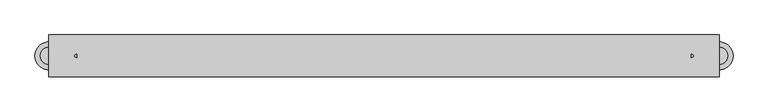
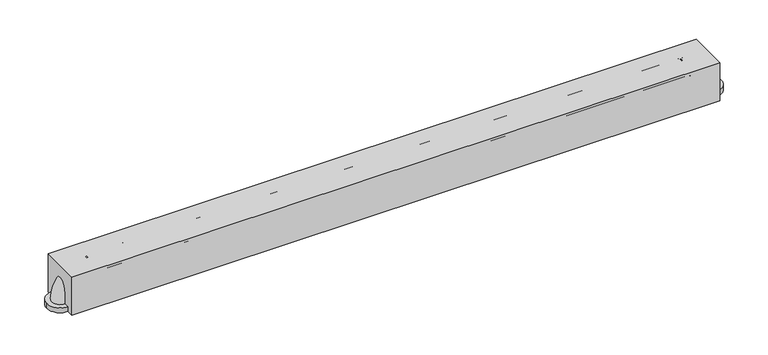
"""IFC4 building model written with IfcOpenShell, lengths in millimetres: proxy geometry."""

import ifcopenshell
import ifcopenshell.guid

model = None  # the IFC model being written
_history = None  # IfcOwnerHistory: only IFC2X3 demands one
_inside = {}  # id of a spatial element -> (the spatial element, [elements in it])
_under = {}  # id of a project, library or spatial element -> (it, [spatial elements below it])
_declared = {}  # id of a project -> (the project, [libraries it declares])
_typed = {}  # id of a type object -> (the type object, [elements of that type])
_made_of = {}  # id of a material, layer set ... -> (it, [elements and type objects made of it])


def new_model(schema):
    """Start an empty IFC model of exactly this schema.

    Asked for "IFC4X3", IfcOpenShell would pick the latest addendum, in which some entities
    have other attributes; the version numbers below select the first issue.
    IFC2X3 requires an IfcOwnerHistory on every rooted entity: one is made here for all.
    """
    global model, _history
    if schema == "IFC4X3":
        model = ifcopenshell.file(schema_version=(4, 3, 0, 0))
    else:
        model = ifcopenshell.file(schema=schema)
    _inside.clear()
    _under.clear()
    _declared.clear()
    _typed.clear()
    _made_of.clear()
    _history = None
    if model.schema == "IFC2X3":
        org = make("IfcOrganization", Name="unknown")
        user = make(
            "IfcPersonAndOrganization",
            ThePerson=make("IfcPerson", FamilyName="unknown"),
            TheOrganization=org,
        )
        app = make(
            "IfcApplication",
            ApplicationDeveloper=org,
            Version="unknown",
            ApplicationFullName="unknown",
            ApplicationIdentifier="unknown",
        )
        _history = make(
            "IfcOwnerHistory",
            OwningUser=user,
            OwningApplication=app,
            ChangeAction="ADDED",
            CreationDate=0,
        )
    return model


def make(cls, **values):
    """One entity of the class cls with the attributes given. An attribute that is None is left unset."""
    return model.create_entity(
        cls, **{name: value for name, value in values.items() if value is not None}
    )


def rooted(cls, **values):
    """An entity with a GlobalId (a new one), such as an element, a storey or a relation."""
    return make(cls, GlobalId=ifcopenshell.guid.new(), OwnerHistory=_history, **values)


def si_unit(unit_type, name, prefix=None):
    """IfcSIUnit, for example si_unit("LENGTHUNIT", "METRE", prefix="MILLI")."""
    return make("IfcSIUnit", UnitType=unit_type, Prefix=prefix, Name=name)


def assignment(units):
    """IfcUnitAssignment: the units of a project."""
    return None if units is None else make("IfcUnitAssignment", Units=units)


def point(xyz):
    """IfcCartesianPoint."""
    return None if xyz is None else make("IfcCartesianPoint", Coordinates=xyz)


def direction(xyz):
    """IfcDirection."""
    return None if xyz is None else make("IfcDirection", DirectionRatios=xyz)


def frame(location, z_axis=None, x_axis=None):
    """IfcAxis2Placement3D, a coordinate frame: its origin and axes. An axis left out is left unset."""
    return make(
        "IfcAxis2Placement3D",
        Location=point(location),
        Axis=direction(z_axis),
        RefDirection=direction(x_axis),
    )


def frame_2d(location, x_axis=None):
    """IfcAxis2Placement2D, a coordinate frame in the plane: its origin and x axis."""
    return make(
        "IfcAxis2Placement2D", Location=point(location), RefDirection=direction(x_axis)
    )


def origin():
    """The frame at (0, 0, 0) with its axes left unset."""
    return frame((0.0, 0.0, 0.0))


def origin_with_axes():
    """The frame at (0, 0, 0) with the z axis (0, 0, 1) and the x axis (1, 0, 0) written out."""
    return frame((0.0, 0.0, 0.0), z_axis=(0.0, 0.0, 1.0), x_axis=(1.0, 0.0, 0.0))


def place(relative_to, where):
    """IfcLocalPlacement: puts the frame where relative to a parent placement (None: the world)."""
    return make(
        "IfcLocalPlacement", PlacementRelTo=relative_to, RelativePlacement=where
    )


def context(
    kind, dimensions, precision=None, world=None, true_north=None, identifier=None
):
    """IfcGeometricRepresentationContext, for example the 3D "Model" context."""
    return make(
        "IfcGeometricRepresentationContext",
        ContextIdentifier=identifier,
        ContextType=kind,
        CoordinateSpaceDimension=dimensions,
        Precision=precision,
        WorldCoordinateSystem=world,
        TrueNorth=true_north,
    )


def project(units=None, contexts=None):
    """IfcProject with its units and contexts."""
    return rooted(
        "IfcProject",
        Name="project",
        RepresentationContexts=contexts,
        UnitsInContext=assignment(units),
    )


def spatial(cls, under=None, at=None, **own):
    """A site, building, storey or space (cls), placed at a placement, below another one or the project."""
    s = rooted(cls, ObjectPlacement=at, **own)
    if under is not None:
        _under.setdefault(under.id(), (under, []))[1].append(s)
    return s


def polyline(points):
    """IfcPolyline through the points."""
    return make("IfcPolyline", Points=[point(p) for p in points])


def circle_curve(where, radius):
    """IfcCircle in the frame where."""
    return make("IfcCircle", Position=where, Radius=radius)


def ellipse_curve(where, semi_axis1, semi_axis2):
    """IfcEllipse in the frame where."""
    return make(
        "IfcEllipse", Position=where, SemiAxis1=semi_axis1, SemiAxis2=semi_axis2
    )


def trimmed(basis, trim1, trim2, sense, master):
    """IfcTrimmedCurve: the piece of a basis curve between two trims."""
    return make(
        "IfcTrimmedCurve",
        BasisCurve=basis,
        Trim1=trim1,
        Trim2=trim2,
        SenseAgreement=sense,
        MasterRepresentation=master,
    )


def segment(curve, same_sense, transition):
    """IfcCompositeCurveSegment."""
    return make(
        "IfcCompositeCurveSegment",
        Transition=transition,
        SameSense=same_sense,
        ParentCurve=curve,
    )


def composite_curve(segments, self_intersect=None):
    """IfcCompositeCurve: segments joined end to end."""
    return make("IfcCompositeCurve", Segments=segments, SelfIntersect=self_intersect)


def outline(outer, holes=None, kind="AREA"):
    """IfcArbitraryClosedProfileDef: a profile drawn as a closed curve; with holes, ...WithVoids."""
    if holes is None:
        return make("IfcArbitraryClosedProfileDef", ProfileType=kind, OuterCurve=outer)
    return make(
        "IfcArbitraryProfileDefWithVoids",
        ProfileType=kind,
        OuterCurve=outer,
        InnerCurves=holes,
    )


def extrude(swept, where, along, depth):
    """IfcExtrudedAreaSolid: the profile swept, set in the frame where, extruded along a direction by depth."""
    return make(
        "IfcExtrudedAreaSolid",
        SweptArea=swept,
        Position=where,
        ExtrudedDirection=direction(along),
        Depth=depth,
    )


def shape(context_of_items, identifier, shape_type, items):
    """IfcShapeRepresentation: the items that make up one representation, for example the "Body"."""
    return make(
        "IfcShapeRepresentation",
        ContextOfItems=context_of_items,
        RepresentationIdentifier=identifier,
        RepresentationType=shape_type,
        Items=items,
    )


def source(mapping_origin, context_of_items, identifier, shape_type, items):
    """IfcRepresentationMap: a shape defined once, which mapped items show again and again."""
    return make(
        "IfcRepresentationMap",
        MappingOrigin=mapping_origin,
        MappedRepresentation=shape(context_of_items, identifier, shape_type, items),
    )


def transform(
    local_origin,
    x_axis=None,
    y_axis=None,
    z_axis=None,
    scale=None,
    scale2=None,
    scale3=None,
    uniform=True,
):
    """IfcCartesianTransformationOperator3D, or its non-uniform kind. x_axis, y_axis, z_axis: its Axis1, 2, 3."""
    if uniform:
        return make(
            "IfcCartesianTransformationOperator3D",
            Axis1=direction(x_axis),
            Axis2=direction(y_axis),
            LocalOrigin=point(local_origin),
            Scale=scale,
            Axis3=direction(z_axis),
        )
    return make(
        "IfcCartesianTransformationOperator3DnonUniform",
        Axis1=direction(x_axis),
        Axis2=direction(y_axis),
        LocalOrigin=point(local_origin),
        Scale=scale,
        Axis3=direction(z_axis),
        Scale2=scale2,
        Scale3=scale3,
    )


def mapped(mapping_source, mapping_target):
    """IfcMappedItem: shows the shape of a source again, moved by a transform."""
    return make(
        "IfcMappedItem", MappingSource=mapping_source, MappingTarget=mapping_target
    )


def made_of(thing, what):
    """Note that an element or type object is made of a material, layer set ...; save() writes the relation."""
    if what is not None:
        _made_of.setdefault(what.id(), (what, []))[1].append(thing)
    return thing


def element(
    cls,
    number,
    at=None,
    inside=None,
    cuts=None,
    type_object=None,
    material=None,
    context=None,
    identifier="Body",
    shape_type=None,
    held_by="IfcProductDefinitionShape",
    body=None,
    shapes=None,
    **own,
):
    """One element of the class cls, such as IfcWall. Its Tag is "e" and its number.

    at: its placement. inside: the storey or other place that contains it. cuts: it is an
    opening in that element (IfcRelVoidsElement). A single representation is given by context,
    identifier, shape_type and body (its items); several are given by shapes. held_by: the class
    of the entity that holds the representations. save() writes the other relations.
    """
    e = rooted(cls, Tag="e%d" % number, ObjectPlacement=at, **own)
    if body is not None:
        shapes = [shape(context, identifier, shape_type, body)]
    if shapes is not None:
        e.Representation = make(held_by, Representations=shapes)
    if inside is not None:
        _inside.setdefault(inside.id(), (inside, []))[1].append(e)
    if cuts is not None:
        rooted(
            "IfcRelVoidsElement", RelatingBuildingElement=cuts, RelatedOpeningElement=e
        )
    if type_object is not None:
        _typed.setdefault(type_object.id(), (type_object, []))[1].append(e)
    return made_of(e, material)


def aggregate(whole, parts):
    """IfcRelAggregates: a whole, such as a stair, and the parts it consists of."""
    return rooted("IfcRelAggregates", RelatingObject=whole, RelatedObjects=parts)


def save(model, path):
    """Write the relations noted so far, then the file.

    IfcRelAggregates (storeys below a building ...), IfcRelContainedInSpatialStructure (elements
    in a storey), IfcRelDefinesByType, IfcRelAssociatesMaterial and IfcRelDeclares: one each for
    every whole, place, type object, material and project.
    """
    for whole, parts in _under.values():
        aggregate(whole, parts)
    for where, things in _inside.values():
        rooted(
            "IfcRelContainedInSpatialStructure",
            RelatedElements=things,
            RelatingStructure=where,
        )
    for kind, things in _typed.values():
        rooted("IfcRelDefinesByType", RelatedObjects=things, RelatingType=kind)
    for what, things in _made_of.values():
        rooted("IfcRelAssociatesMaterial", RelatedObjects=things, RelatingMaterial=what)
    for by, libraries in _declared.values():
        rooted("IfcRelDeclares", RelatingContext=by, RelatedDefinitions=libraries)
    model.write(path)


def plane_surface(at):
    """IfcPlane: the flat surface through the origin of the frame at, square to its z axis."""
    return make("IfcPlane", Position=at)


def revolved_surface(curve, axis_point, axis_direction):
    """IfcSurfaceOfRevolution: the curve turned about the line through axis_point along axis_direction."""
    return make(
        "IfcSurfaceOfRevolution",
        SweptCurve=make("IfcArbitraryOpenProfileDef", ProfileType="CURVE", Curve=curve),
        AxisPosition=make("IfcAxis1Placement", Location=point(axis_point), Axis=direction(axis_direction)),
    )


def advanced_brep(points, edges, surfaces, faces):
    """IfcAdvancedBrep: a solid bounded by faces that lie on surfaces and meet in shared edges.

    An edge is (start, end): straight between two places in points (the first is 0);
    or (start, end, curve); or (start, end, curve, False) where it runs against its curve.
    A face is (place in surfaces, loops), or (place, loops, False) where it looks against
    its surface's normal. A loop lists edges by number (the first is 1), with a minus sign
    where the edge is run from its end to its start. The first loop is the outer one.
    """
    corners = [point(p) for p in points]
    vertices = [make("IfcVertexPoint", VertexGeometry=c) for c in corners]
    made = []
    for start, end, *more in edges:
        made.append(
            make(
                "IfcEdgeCurve",
                EdgeStart=vertices[start],
                EdgeEnd=vertices[end],
                EdgeGeometry=more[0] if more else make("IfcPolyline", Points=[corners[start], corners[end]]),
                SameSense=more[1] if len(more) > 1 else True,
            )
        )
    hull = []
    for where, loops, *sense in faces:
        bounds = []
        for j, loop in enumerate(loops):
            ring = [make("IfcOrientedEdge", EdgeElement=made[abs(k) - 1], Orientation=k > 0) for k in loop]
            bounds.append(
                make(
                    "IfcFaceOuterBound" if j == 0 else "IfcFaceBound",
                    Bound=make("IfcEdgeLoop", EdgeList=ring),
                    Orientation=True,
                )
            )
        hull.append(make("IfcAdvancedFace", Bounds=bounds, FaceSurface=surfaces[where], SameSense=sense[0] if sense else True))
    return make("IfcAdvancedBrep", Outer=make("IfcClosedShell", CfsFaces=hull))


def specialty_equipment_c5804665(model_context):
    return source(origin(), model_context, "Body", "SolidModel", [
        advanced_brep(
        [(558.8, 15.875, 60.325), (558.8, -15.875, 60.325), (609.6, 15.875, 9.525), (609.6, -15.875, 9.525)],
        [
            (0, 1, circle_curve(frame((558.8, 0.0, 60.325), z_axis=(-1.0, 0.0, 0.0), x_axis=(0.0, -1.0, 0.0)), 15.875)),
            (1, 0, circle_curve(frame((558.8, 0.0, 60.325), z_axis=(-1.0, 0.0, 0.0), x_axis=(0.0, -1.0, 0.0)), 15.875)),
            (2, 3, circle_curve(frame((609.6, 0.0, 9.525), z_axis=(0.0, 0.0, -1.0), x_axis=(0.0, -1.0, 0.0)), 15.875)),
            (3, 2, circle_curve(frame((609.6, 0.0, 9.525), z_axis=(0.0, 0.0, -1.0), x_axis=(0.0, -1.0, 0.0)), 15.875)),
            (2, 0, circle_curve(frame((558.8, 15.875, 9.525), z_axis=(0.0, -1.0, 0.0), x_axis=(0.0, 0.0, 1.0)), 50.8)),
            (1, 3, circle_curve(frame((558.8, -15.875, 9.525), z_axis=(0.0, 1.0, 0.0), x_axis=(0.0, 0.0, 1.0)), 50.8)),
        ],
        [
            plane_surface(frame((558.8, 0.0, 60.325), z_axis=(-1.0, 0.0, 0.0), x_axis=(0.0, -1.0, 0.0))),
            plane_surface(frame((609.6, 0.0, 9.525), z_axis=(0.0, 0.0, -1.0), x_axis=(0.0, -1.0, 0.0))),
            revolved_surface(trimmed(ellipse_curve(frame((558.8, 0.0, 60.325), z_axis=(1.0, 0.0, 0.0), x_axis=(0.0, -1.0, 0.0)), 15.875, 15.875), [point((558.8, 15.875, 60.325))], [point((558.8, -15.875, 60.325))], True, "CARTESIAN"), (558.8, 0.0, 9.525), (0.0, -1.0, 0.0)),
            revolved_surface(trimmed(ellipse_curve(frame((558.8, 0.0, 60.325), z_axis=(1.0, 0.0, 0.0), x_axis=(0.0, -1.0, 0.0)), 15.875, 15.875), [point((558.8, -15.875, 60.325))], [point((558.8, 15.875, 60.325))], True, "CARTESIAN"), (558.8, 0.0, 9.525), (0.0, -1.0, 0.0)),
        ],
        [
            (0, [[1, 2]]),
            (1, [[3, 4]]),
            (2, [[-3, 5, -2, 6]]),
            (3, [[-4, -6, -1, -5]]),
        ],
    ),
        extrude(outline(composite_curve([segment(trimmed(circle_curve(frame_2d((609.6, 0.0)), 25.4), [point((635.0, 0.0))], [point((584.2, 0.0))], False, "CARTESIAN"), True, "CONTINUOUS"), segment(trimmed(circle_curve(frame_2d((609.6, 0.0)), 25.4), [point((584.2, 0.0))], [point((635.0, 0.0))], False, "CARTESIAN"), True, "CONTINUOUS")], self_intersect=False)), origin_with_axes(), (0.0, 0.0, 1.0), 9.525),
        advanced_brep(
        [(-558.8, 15.875, 60.325), (-558.8, -15.875, 60.325), (-609.6, 15.875, 9.525), (-609.6, -15.875, 9.525)],
        [
            (0, 1, circle_curve(frame((-558.8, 0.0, 60.325), z_axis=(1.0, 0.0, 0.0), x_axis=(0.0, -1.0, 0.0)), 15.875)),
            (1, 0, circle_curve(frame((-558.8, 0.0, 60.325), z_axis=(1.0, 0.0, 0.0), x_axis=(0.0, -1.0, 0.0)), 15.875)),
            (2, 3, circle_curve(frame((-609.6, 0.0, 9.525), z_axis=(0.0, 0.0, -1.0), x_axis=(0.0, -1.0, 0.0)), 15.875)),
            (3, 2, circle_curve(frame((-609.6, 0.0, 9.525), z_axis=(0.0, 0.0, -1.0), x_axis=(0.0, -1.0, 0.0)), 15.875)),
            (3, 1, circle_curve(frame((-558.8, -15.875, 9.525), z_axis=(0.0, 1.0, 0.0), x_axis=(0.0, 0.0, 1.0)), 50.8)),
            (0, 2, circle_curve(frame((-558.8, 15.875, 9.525), z_axis=(0.0, -1.0, 0.0), x_axis=(0.0, 0.0, 1.0)), 50.8)),
        ],
        [
            plane_surface(frame((-558.8, 0.0, 60.325), z_axis=(1.0, 0.0, 0.0), x_axis=(0.0, -1.0, 0.0))),
            plane_surface(frame((-609.6, 0.0, 9.525), z_axis=(0.0, 0.0, -1.0), x_axis=(0.0, -1.0, 0.0))),
            revolved_surface(trimmed(ellipse_curve(frame((-558.8, 0.0, 60.325), z_axis=(1.0, 0.0, 0.0), x_axis=(0.0, -1.0, 0.0)), 15.875, 15.875), [point((-558.8, 15.875, 60.325))], [point((-558.8, -15.875, 60.325))], True, "CARTESIAN"), (-558.8, 0.0, 9.525), (0.0, -1.0, 0.0)),
            revolved_surface(trimmed(ellipse_curve(frame((-558.8, 0.0, 60.325), z_axis=(1.0, 0.0, 0.0), x_axis=(0.0, -1.0, 0.0)), 15.875, 15.875), [point((-558.8, -15.875, 60.325))], [point((-558.8, 15.875, 60.325))], True, "CARTESIAN"), (-558.8, 0.0, 9.525), (0.0, -1.0, 0.0)),
        ],
        [
            (0, [[1, 2]]),
            (1, [[3, 4]]),
            (2, [[5, -1, 6, -4]]),
            (3, [[-6, -2, -5, -3]]),
        ],
    ),
        extrude(outline(composite_curve([segment(trimmed(circle_curve(frame_2d((-609.6, 0.0)), 25.4), [point((-635.0, 0.0))], [point((-584.2, 0.0))], False, "CARTESIAN"), True, "CONTINUOUS"), segment(trimmed(circle_curve(frame_2d((-609.6, 0.0)), 25.4), [point((-584.2, 0.0))], [point((-635.0, 0.0))], False, "CARTESIAN"), True, "CONTINUOUS")], self_intersect=False)), origin_with_axes(), (0.0, 0.0, 1.0), 9.525),
        extrude(outline(polyline([(609.6, -38.1), (-609.6, -38.1), (-609.6, 38.1), (609.6, 38.1), (609.6, -38.1)])), origin_with_axes(), (0.0, 0.0, 1.0), 76.2),
        extrude(outline(composite_curve([segment(trimmed(circle_curve(frame_2d((0.0, 60.325)), 15.875), [point((-15.875, 60.325))], [point((15.875, 60.325))], False, "CARTESIAN"), True, "CONTINUOUS"), segment(trimmed(circle_curve(frame_2d((0.0, 60.325)), 15.875), [point((15.875, 60.325))], [point((-15.875, 60.325))], False, "CARTESIAN"), True, "CONTINUOUS")], self_intersect=False)), frame((-558.8, 0.0, 0.0), z_axis=(1.0, 0.0, 0.0), x_axis=(0.0, 1.0, 0.0)), (0.0, 0.0, 1.0), 1117.6),
    ])


if __name__ == "__main__":
    model = new_model("IFC4")
    model_context = context("Model", 3, world=origin())
    ifc_project = project(units=[si_unit("LENGTHUNIT", "METRE", prefix="MILLI")], contexts=[model_context])
    site = spatial("IfcSite", under=ifc_project)
    building = spatial("IfcBuilding", under=site)
    placement = place(None, origin())
    specialty_equipment_shape = specialty_equipment_c5804665(model_context)
    element("IfcBuildingElementProxy", 1, Name="Specialty Equipment", at=placement, inside=building, context=model_context, shape_type="MappedRepresentation", body=[
        mapped(specialty_equipment_shape, transform((0.0, 0.0, 0.0), x_axis=(1.0, 0.0, 0.0), y_axis=(0.0, 1.0, 0.0), z_axis=(0.0, 0.0, 1.0))),
    ])
    save(model, "model.ifc")
